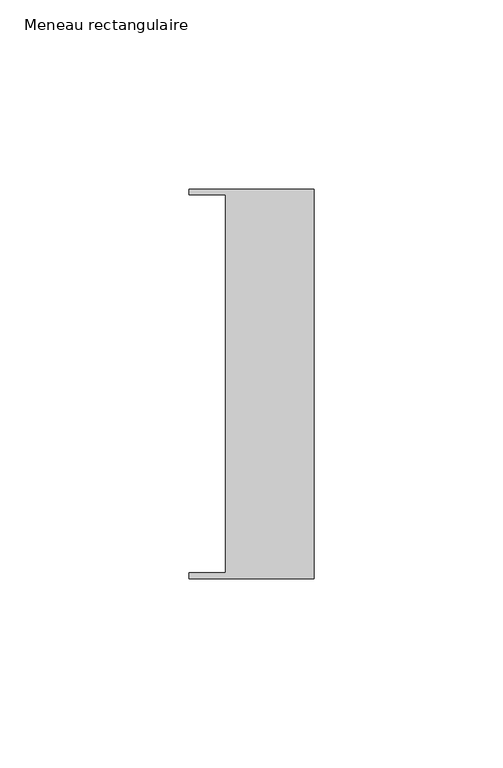
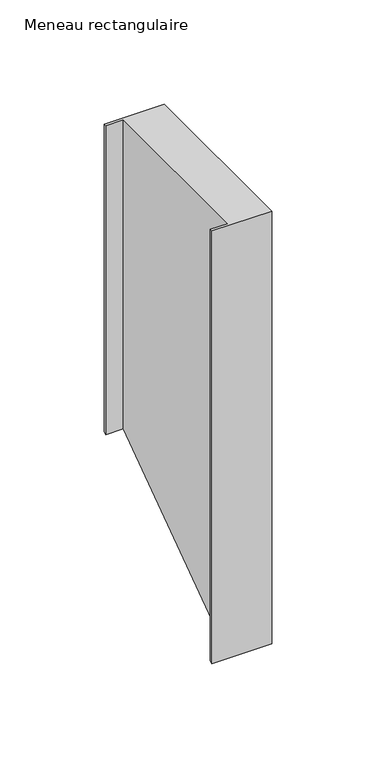
"""IFC4 building model written with IfcOpenShell, lengths in millimetres: member geometry, Meneau rectangulaire."""

from ifc_helpers import new_model, si_unit, origin, place, context, project, spatial, faceted_brep, source, transform, mapped, element, save


def meneau_rectangulaire_a8043ee4(model_context):
    return source(origin(), model_context, "Body", "Brep", [
        faceted_brep([(-33.0, 51.4622428, 0.0), (-33.0, 49.9614402, 0.0), (-23.4, 49.9614402, 0.0), (-23.4, -49.9505712, 0.0), (-33.0, -49.9505712, 0.0), (-33.0, -51.4712299, 0.0), (0.0, -51.4712299, 0.0), (0.0, 51.4622428, 0.0), (-23.4, 49.9614402, -180.5525101), (-23.4, -49.9505712, -251.8190553), (-33.0, -51.4712299, -252.9037306), (0.0, -51.4712299, -252.9037306), (0.0, 51.4622428, -179.481998), (-33.0, 51.4622428, -179.481998), (-33.0, -49.9505712, -251.8190553), (-33.0, 49.9614402, -180.5525101)], [[[0, 1, 2, 3, 4, 5, 6, 7]], [[3, 2, 8, 9]], [[6, 5, 10, 11]], [[7, 6, 11, 12]], [[0, 7, 12, 13]], [[13, 12, 11, 10, 14, 9, 8, 15]], [[1, 0, 13, 15]], [[2, 1, 15, 8]], [[4, 3, 9, 14]], [[5, 4, 14, 10]]]),
    ])


if __name__ == "__main__":
    model = new_model("IFC4")
    model_context = context("Model", 3, world=origin())
    ifc_project = project(units=[si_unit("LENGTHUNIT", "METRE", prefix="MILLI")], contexts=[model_context])
    site = spatial("IfcSite", under=ifc_project)
    building = spatial("IfcBuilding", under=site)
    placement = place(None, origin())
    meneau_rectangulaire_shape = meneau_rectangulaire_a8043ee4(model_context)
    element("IfcMember", 1, ObjectType="Meneau rectangulaire", at=placement, inside=building, context=model_context, shape_type="MappedRepresentation", body=[
        mapped(meneau_rectangulaire_shape, transform((0.0, 0.0, 0.0), x_axis=(1.0, 0.0, 0.0), y_axis=(0.0, 1.0, 0.0), z_axis=(0.0, 0.0, 1.0))),
    ])
    save(model, "model.ifc")
